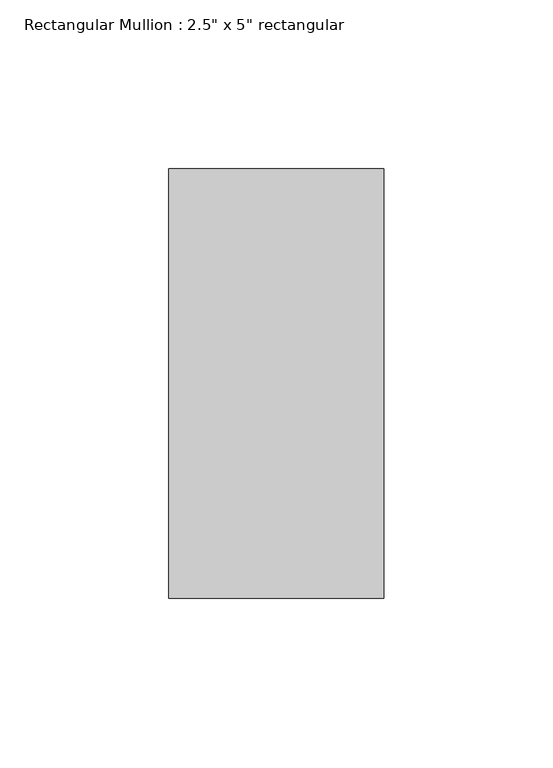
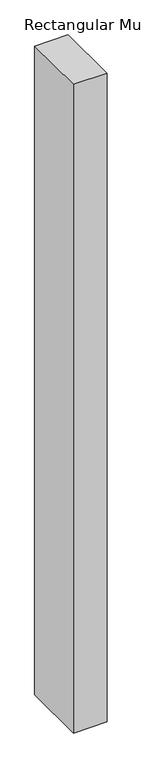
"""IFC4 building model written with IfcOpenShell, lengths in millimetres: member geometry."""

from ifc_helpers import new_model, si_unit, frame, origin, place, context, project, spatial, polyline, outline, extrude, source, transform, mapped, element, save


def member_0a37b1b5(model_context):
    return source(origin(), model_context, "Body", "SweptSolid", [
        extrude(outline(polyline([(31.75, 63.5), (31.75, -63.5), (-31.75, -63.5), (-31.75, 63.5), (31.75, 63.5)])), frame((0.0, 0.0, -1298.1414157), z_axis=(0.0, 0.0, 1.0), x_axis=(1.0, 0.0, 0.0)), (0.0, 0.0, 1.0), 1298.1414157),
    ])


if __name__ == "__main__":
    model = new_model("IFC4")
    model_context = context("Model", 3, world=origin())
    ifc_project = project(units=[si_unit("LENGTHUNIT", "METRE", prefix="MILLI")], contexts=[model_context])
    site = spatial("IfcSite", under=ifc_project)
    building = spatial("IfcBuilding", under=site)
    placement = place(None, origin())
    member_shape = member_0a37b1b5(model_context)
    element("IfcMember", 1, ObjectType="Rectangular Mullion : 2.5\" x 5\" rectangular", at=placement, inside=building, context=model_context, shape_type="MappedRepresentation", body=[
        mapped(member_shape, transform((0.0, 0.0, 0.0), x_axis=(1.0, 0.0, 0.0), y_axis=(0.0, 1.0, 0.0), z_axis=(0.0, 0.0, 1.0))),
    ])
    save(model, "model.ifc")
